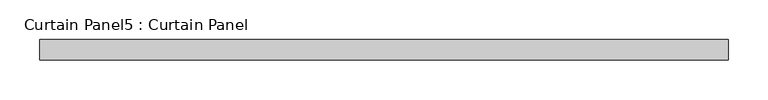
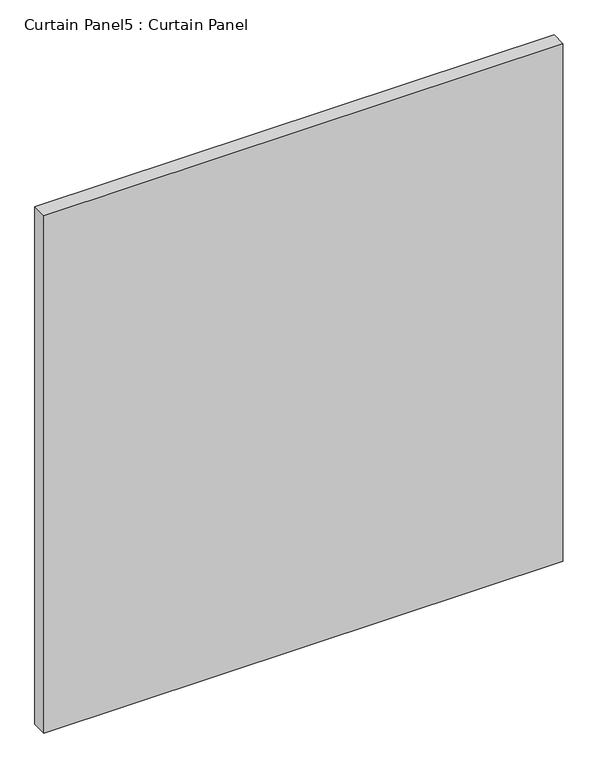
"""IFC4 building model written with IfcOpenShell, lengths in millimetres: plate geometry, Curtain Panel5 : Curtain Panel."""

from ifc_helpers import new_model, si_unit, frame, origin, place, context, project, spatial, polyline, outline, extrude, source, transform, mapped, element, save


def curtain_panel5_curtain_panel_8ff367ed(model_context):
    return source(origin(), model_context, "Body", "SweptSolid", [
        extrude(outline(polyline([(-18342.2017077, 2096.4441321), (-19205.8202766, 2096.4441321), (-19205.8202766, 2121.8441321), (-18342.2017077, 2121.8441321), (-18342.2017077, 2096.4441321)])), frame((0.0, 0.0, 229.2980166), z_axis=(0.0, 0.0, 1.0), x_axis=(1.0, 0.0, 0.0)), (0.0, 0.0, 1.0), 909.8800207),
    ])


if __name__ == "__main__":
    model = new_model("IFC4")
    model_context = context("Model", 3, world=origin())
    ifc_project = project(units=[si_unit("LENGTHUNIT", "METRE", prefix="MILLI")], contexts=[model_context])
    site = spatial("IfcSite", under=ifc_project)
    building = spatial("IfcBuilding", under=site)
    placement = place(None, origin())
    curtain_panel5_curtain_panel_shape = curtain_panel5_curtain_panel_8ff367ed(model_context)
    element("IfcPlate", 1, ObjectType="Curtain Panel5 : Curtain Panel", at=placement, inside=building, context=model_context, shape_type="MappedRepresentation", body=[
        mapped(curtain_panel5_curtain_panel_shape, transform((0.0, 0.0, 0.0), x_axis=(1.0, 0.0, 0.0), y_axis=(0.0, 1.0, 0.0), z_axis=(0.0, 0.0, 1.0))),
    ])
    save(model, "model.ifc")
